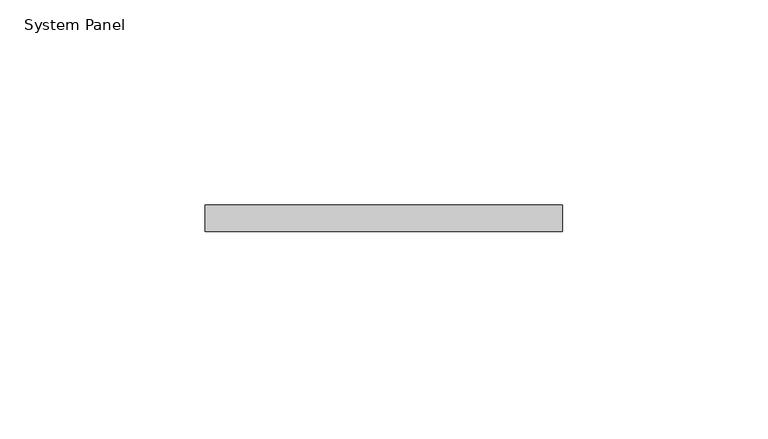
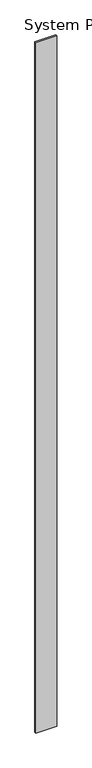
"""IFC4 building model written with IfcOpenShell, lengths in millimetres: plate geometry, System Panel."""

from ifc_helpers import new_model, si_unit, origin, origin_with_axes, place, context, project, spatial, polyline, outline, extrude, source, transform, mapped, element, save


def system_panel_bbc6389a(model_context):
    return source(origin(), model_context, "Body", "SweptSolid", [
        extrude(outline(polyline([(43.4455368, 0.0), (-43.4455368, 0.0), (-43.4455368, 6.35), (43.4455368, 6.35), (43.4455368, 0.0)])), origin_with_axes(), (0.0, 0.0, 1.0), 3048.0),
    ])


if __name__ == "__main__":
    model = new_model("IFC4")
    model_context = context("Model", 3, world=origin())
    ifc_project = project(units=[si_unit("LENGTHUNIT", "METRE", prefix="MILLI")], contexts=[model_context])
    site = spatial("IfcSite", under=ifc_project)
    building = spatial("IfcBuilding", under=site)
    placement = place(None, origin())
    system_panel_shape = system_panel_bbc6389a(model_context)
    element("IfcPlate", 1, ObjectType="System Panel", at=placement, inside=building, context=model_context, shape_type="MappedRepresentation", body=[
        mapped(system_panel_shape, transform((0.0, 0.0, 0.0), x_axis=(1.0, 0.0, 0.0), y_axis=(0.0, 1.0, 0.0), z_axis=(0.0, 0.0, 1.0))),
    ])
    save(model, "model.ifc")
